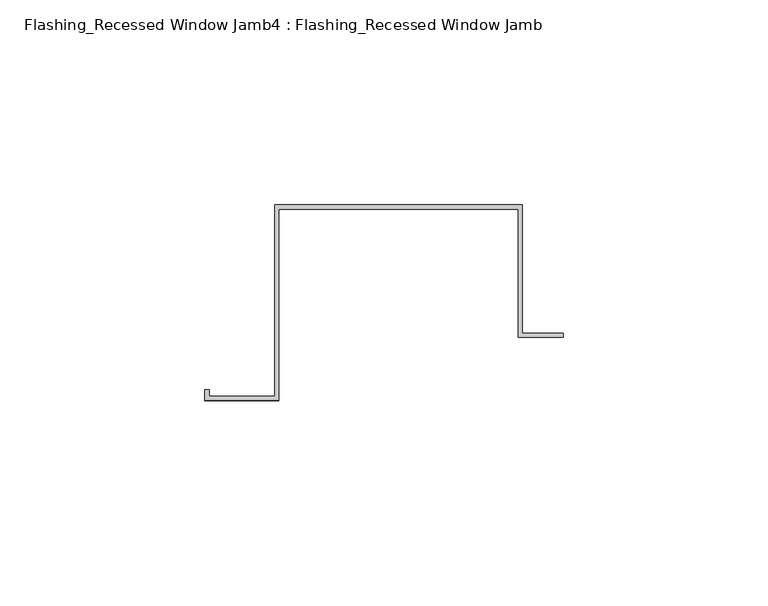
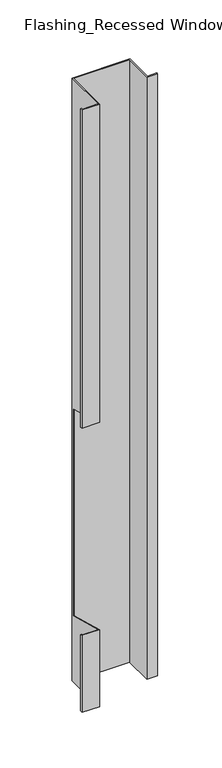
"""IFC4 building model written with IfcOpenShell, lengths in millimetres: proxy geometry, Flashing_Recessed Window Jamb4 : Flashing_Recessed Window Jamb."""

from ifc_helpers import new_model, si_unit, origin, place, context, project, spatial, faceted_brep, source, transform, mapped, element, save


def flashing_recessed_window_jamb4_flashing_recessed_window_jamb_f09892d5(model_context):
    return source(origin(), model_context, "Body", "Brep", [
        faceted_brep([(8486.8470781, 627.4023812, -277.6721404), (8486.8470781, 658.7344915, -277.6721404), (8426.4791786, 658.7344915, -277.6721404), (8426.4791786, 612.0490096, -277.6721404), (8410.4479286, 612.0490096, -277.6721404), (8410.4479286, 613.5934881, -277.6721404), (8409.4479286, 613.5934881, -277.6721404), (8409.4479286, 611.0490096, -277.6721404), (8427.4791786, 611.0490096, -277.6721404), (8427.4791786, 657.7344915, -277.6721404), (8485.8470781, 657.7344915, -277.6721404), (8485.8470781, 626.4023812, -277.6721404), (8496.8470781, 626.4023812, -277.6721404), (8496.8470781, 627.4023812, -277.6721404), (8485.8470781, 626.4023812, -938.2016371), (8485.8470781, 657.7344915, -938.2016371), (8427.4791786, 657.7344915, -938.2016371), (8427.4791786, 611.0490096, -938.2016371), (8409.4479286, 611.0490096, -938.2016371), (8409.4479286, 613.5934881, -938.2016371), (8410.4479286, 613.5934881, -938.2016371), (8410.4479286, 612.0490096, -938.2016371), (8426.4791786, 612.0490096, -938.2016371), (8426.4791786, 658.7344915, -938.2016371), (8486.8470781, 658.7344915, -938.2016371), (8486.8470781, 627.4023812, -938.2016371), (8496.8470781, 627.4023812, -938.2016371), (8496.8470781, 626.4023812, -938.2016371), (8426.4791786, 612.0490096, -854.2024508), (8426.4791786, 656.8026399, -866.1941499), (8426.4791786, 656.8026399, -638.7682442), (8426.4791786, 612.0490096, -626.7765451), (8410.4479286, 612.0490096, -626.7765451), (8410.4479286, 612.0490096, -854.2024508), (8410.4479286, 613.5934881, -627.1903869), (8410.4479286, 613.5934881, -854.6162925), (8409.4479286, 613.5934881, -627.1903869), (8409.4479286, 613.5934881, -854.6162925), (8409.4479286, 611.0490096, -626.5085959), (8409.4479286, 611.0490096, -853.9345016), (8427.4791786, 611.0490096, -626.5085959), (8427.4791786, 611.0490096, -853.9345016), (8427.4791786, 656.8026399, -638.7682442), (8427.4791786, 656.8026399, -866.1941499)], [[[0, 1, 2, 3, 4, 5, 6, 7, 8, 9, 10, 11, 12, 13]], [[14, 15, 16, 17, 18, 19, 20, 21, 22, 23, 24, 25, 26, 27]], [[1, 0, 25, 24]], [[2, 1, 24, 23]], [[3, 2, 23, 22, 28, 29, 30, 31]], [[4, 3, 31, 32]], [[22, 21, 33, 28]], [[5, 4, 32, 34]], [[21, 20, 35, 33]], [[6, 5, 34, 36]], [[20, 19, 37, 35]], [[7, 6, 36, 38]], [[19, 18, 39, 37]], [[8, 7, 38, 40]], [[18, 17, 41, 39]], [[9, 8, 40, 42, 43, 41, 17, 16]], [[10, 9, 16, 15]], [[11, 10, 15, 14]], [[12, 11, 14, 27]], [[13, 12, 27, 26]], [[0, 13, 26, 25]], [[43, 29, 28, 33, 35, 37, 39, 41]], [[30, 42, 40, 38, 36, 34, 32, 31]], [[29, 43, 42, 30]]]),
    ])


if __name__ == "__main__":
    model = new_model("IFC4")
    model_context = context("Model", 3, world=origin())
    ifc_project = project(units=[si_unit("LENGTHUNIT", "METRE", prefix="MILLI")], contexts=[model_context])
    site = spatial("IfcSite", under=ifc_project)
    building = spatial("IfcBuilding", under=site)
    placement = place(None, origin())
    flashing_recessed_window_jamb4_flashing_recessed_window_jamb_shape = flashing_recessed_window_jamb4_flashing_recessed_window_jamb_f09892d5(model_context)
    element("IfcBuildingElementProxy", 1, Name="Flashing_Recessed Window Jamb4 : Flashing_Recessed Window Jamb", ObjectType="Flashing_Recessed Window Jamb4 : Flashing_Recessed Window Jamb", at=placement, inside=building, context=model_context, shape_type="MappedRepresentation", body=[
        mapped(flashing_recessed_window_jamb4_flashing_recessed_window_jamb_shape, transform((0.0, 0.0, 0.0), x_axis=(1.0, 0.0, 0.0), y_axis=(0.0, 1.0, 0.0), z_axis=(0.0, 0.0, 1.0))),
    ])
    save(model, "model.ifc")
